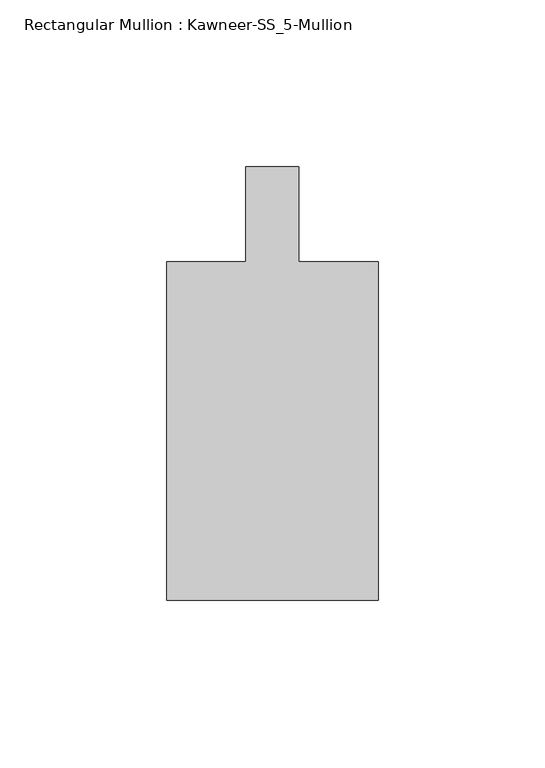
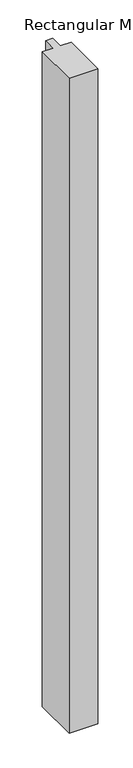
"""IFC4 building model written with IfcOpenShell, lengths in millimetres: member geometry, Rectangular Mullion : Kawneer-SS_5-Mullion."""

from ifc_helpers import new_model, si_unit, frame, origin, place, context, project, spatial, polyline, outline, extrude, source, transform, mapped, element, save


def rectangular_mullion_kawneer_ss_5_mullion_79304639(model_context):
    return source(origin(), model_context, "Body", "SweptSolid", [
        extrude(outline(polyline([(-31.75, -115.8875), (-31.75, -14.2875), (-7.9375, -14.2875), (-7.9375, 14.2875), (7.9375, 14.2875), (7.9375, -14.2875), (31.75, -14.2875), (31.75, -115.8875), (-31.75, -115.8875)])), frame((0.0, 0.0, -1524.0), z_axis=(0.0, 0.0, 1.0), x_axis=(1.0, 0.0, 0.0)), (0.0, 0.0, 1.0), 1524.0),
    ])


if __name__ == "__main__":
    model = new_model("IFC4")
    model_context = context("Model", 3, world=origin())
    ifc_project = project(units=[si_unit("LENGTHUNIT", "METRE", prefix="MILLI")], contexts=[model_context])
    site = spatial("IfcSite", under=ifc_project)
    building = spatial("IfcBuilding", under=site)
    placement = place(None, origin())
    rectangular_mullion_kawneer_ss_5_mullion_shape = rectangular_mullion_kawneer_ss_5_mullion_79304639(model_context)
    element("IfcMember", 1, ObjectType="Rectangular Mullion : Kawneer-SS_5-Mullion", at=placement, inside=building, context=model_context, shape_type="MappedRepresentation", body=[
        mapped(rectangular_mullion_kawneer_ss_5_mullion_shape, transform((0.0, 0.0, 0.0), x_axis=(1.0, 0.0, 0.0), y_axis=(0.0, 1.0, 0.0), z_axis=(0.0, 0.0, 1.0))),
    ])
    save(model, "model.ifc")
